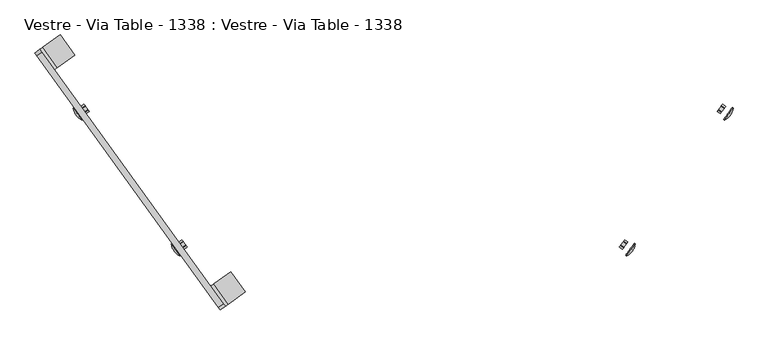
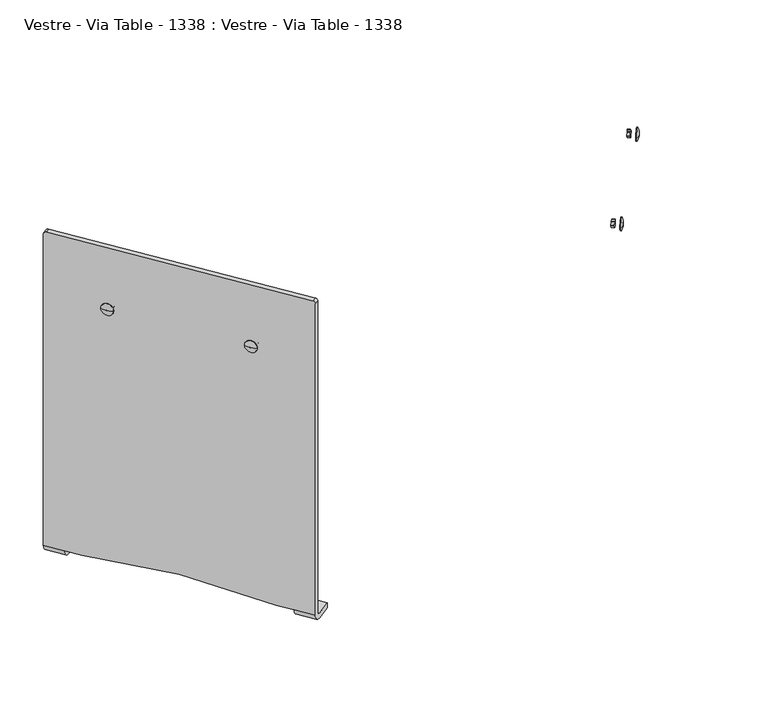
"""IFC4 building model written with IfcOpenShell, lengths in millimetres: furniture geometry, Vestre - Via Table - 1338 : Vestre - Via Table - 1338."""

from ifc_helpers import new_model, si_unit, point, frame, origin, place, context, project, spatial, polyline, circle_curve, ellipse_curve, trimmed, faceted_brep, source, transform, mapped, element, save
from ifc_brep_helpers import plane_surface, cylinder_surface, revolved_surface, advanced_brep


def vestre_via_table_1338_vestre_via_table_1338_51512afc(model_context):
    return source(origin(), model_context, "Body", "SolidModel", [
        advanced_brep(
        [(-294.4229396, -353.1820084, 15.8400028), (-281.5719813, -343.9214167, 0.0), (-253.9097798, -323.9876231, 0.0), (-253.9097798, -323.9876231, 9.8400028), (-281.5719749, -343.9214122, 9.8400028), (-286.4397613, -347.4292114, 15.8400028), (-286.4397613, -347.4292114, 666.3451332), (-294.4229396, -353.1820084, 666.3451332), (-309.8250896, -314.9773021, 15.8400028), (-304.9573032, -311.4695028, 9.8400028), (-277.2951082, -291.5357138, 9.8400028), (-277.2951082, -291.5357138, 0.0), (-304.9573096, -311.4695074, 0.0), (-317.808268, -320.7300991, 15.8400028), (-584.6026974, 66.3326325, 15.8400028), (-584.6026974, 66.3326325, 666.3451332), (-581.6795314, 62.2761439, 671.3451332), (-289.3629273, -343.3727227, 671.3451332), (-329.1638072, -288.1408899, 15.8400028), (-541.8786515, 7.044311, 15.8400028), (-561.2173691, 33.8807232, 15.8400028), (-549.8618299, 1.291514, 15.8400028), (-337.1469856, -293.8936869, 15.8400028), (-297.3461057, -349.1255197, 671.3451332), (-589.6627097, 56.5233469, 671.3451332), (-592.5858758, 60.5798356, 666.3451332), (-592.5858758, 60.5798356, 15.8400028), (-569.2005475, 28.1279262, 15.8400028), (-579.734911, 69.8404318, 9.8400028), (-552.072716, 89.7742208, 9.8400028), (-552.072716, 89.7742208, 0.0), (-579.7349174, 69.8404272, 0.0), (-556.3495891, 37.3885179, 0.0), (-528.6873876, 57.3223115, 0.0), (-528.6873876, 57.3223115, 9.8400028), (-556.3495827, 37.3885225, 9.8400028)],
        [
            (0, 1, circle_curve(frame((-281.5719813, -343.9214167, 15.8400028), z_axis=(0.5846332081206281, -0.8112977332413683, 0.0), x_axis=(0.8112977332413683, 0.5846332081206281, 0.0)), 15.8400028)),
            (1, 2),
            (2, 3),
            (3, 4),
            (4, 5, circle_curve(frame((-281.5719749, -343.9214122, 15.8400028), z_axis=(-0.5846332081206281, 0.8112977332413683, 0.0), x_axis=(0.8112977332413683, 0.5846332081206281, 0.0)), 6.0)),
            (5, 6),
            (6, 7),
            (7, 0),
            (8, 9, circle_curve(frame((-304.9573032, -311.4695028, 15.8400028), z_axis=(0.5846332081206281, -0.8112977332413683, 0.0), x_axis=(0.8112977332413683, 0.5846332081206281, 0.0)), 6.0)),
            (9, 10),
            (10, 11),
            (11, 12),
            (12, 13, circle_curve(frame((-304.9573096, -311.4695074, 15.8400028), z_axis=(-0.5846332081206281, 0.8112977332413683, 0.0), x_axis=(0.8112977332413683, 0.5846332081206281, 0.0)), 15.8400028)),
            (13, 8),
            (0, 13),
            (12, 1),
            (11, 2),
            (10, 3),
            (9, 4),
            (8, 5),
            (14, 15),
            (15, 16, circle_curve(frame((-581.6795314, 62.2761439, 666.3451332), z_axis=(0.8112977332413683, 0.5846332081206281, 0.0), x_axis=(-0.5846332081206281, 0.8112977332413683, 0.0)), 5.0)),
            (16, 17),
            (17, 6, circle_curve(frame((-289.3629273, -343.3727227, 666.3451332), z_axis=(0.8112977332413683, 0.5846332081206281, 0.0), x_axis=(0.0, 0.0, 1.0)), 5.0)),
            (8, 18),
            (18, 19, circle_curve(frame((-435.5212294, -140.5482894, -1343.0365637), z_axis=(-0.8112977332413682, -0.5846332081206282, 0.0), x_axis=(-0.0775765296494671, 0.10765324614327092, 0.991157233057582)), 1371.0)),
            (19, 20),
            (20, 14),
            (21, 22, circle_curve(frame((-443.5044077, -146.3010864, -1343.0365637), z_axis=(0.8112977332413682, 0.5846332081206282, 0.0), x_axis=(-0.0775765296494671, 0.10765324614327092, 0.991157233057582)), 1371.0)),
            (22, 13),
            (7, 23, circle_curve(frame((-297.3461057, -349.1255197, 666.3451332), z_axis=(-0.8112977332413683, -0.5846332081206281, 0.0), x_axis=(0.0, 0.0, 1.0)), 5.0)),
            (23, 24),
            (24, 25, circle_curve(frame((-589.6627097, 56.5233469, 666.3451332), z_axis=(-0.8112977332413683, -0.5846332081206281, 0.0), x_axis=(-0.5846332081206281, 0.8112977332413683, 0.0)), 5.0)),
            (25, 26),
            (26, 27),
            (27, 21),
            (14, 28, circle_curve(frame((-579.734911, 69.8404318, 15.8400028), z_axis=(0.5846332081206281, -0.8112977332413683, 0.0), x_axis=(0.8112977332413683, 0.5846332081206281, 0.0)), 6.0)),
            (28, 29),
            (29, 30),
            (30, 31),
            (31, 26, circle_curve(frame((-579.7349174, 69.8404272, 15.8400028), z_axis=(-0.5846332081206281, 0.8112977332413683, 0.0), x_axis=(0.8112977332413683, 0.5846332081206281, 0.0)), 15.8400028)),
            (25, 15),
            (24, 16),
            (23, 17),
            (22, 18),
            (21, 19),
            (27, 20),
            (27, 32, circle_curve(frame((-556.3495891, 37.3885179, 15.8400028), z_axis=(0.5846332081206281, -0.8112977332413683, 0.0), x_axis=(0.8112977332413683, 0.5846332081206281, 0.0)), 15.8400028)),
            (32, 33),
            (33, 34),
            (34, 35),
            (35, 20, circle_curve(frame((-556.3495827, 37.3885225, 15.8400028), z_axis=(-0.5846332081206281, 0.8112977332413683, 0.0), x_axis=(0.8112977332413683, 0.5846332081206281, 0.0)), 6.0)),
            (31, 32),
            (30, 33),
            (29, 34),
            (28, 35),
        ],
        [
            plane_surface(frame((-294.4229396, -353.1820084, 15.8400028), z_axis=(0.5846332081206281, -0.8112977332413682, 0.0), x_axis=(-0.8112977332413682, -0.5846332081206281, 0.0))),
            plane_surface(frame((-317.808268, -320.7300991, 15.8400028), z_axis=(-0.5846332081206281, 0.8112977332413682, 0.0), x_axis=(0.8112977332413682, 0.5846332081206281, 0.0))),
            cylinder_surface(frame((-304.9573096, -311.4695074, 15.8400028), z_axis=(0.5846332081206281, -0.8112977332413683, 0.0), x_axis=(0.8112977332413683, 0.5846332081206281, 0.0)), 15.8400028),
            plane_surface(frame((-281.5719813, -343.9214167, 0.0), z_axis=(0.0, 0.0, -1.0), x_axis=(-0.5846332081206279, 0.8112977332413684, 0.0))),
            plane_surface(frame((-253.9097798, -323.9876231, 0.0), z_axis=(0.8112977332413681, 0.5846332081206285, 0.0), x_axis=(-0.5846332081206285, 0.8112977332413681, 0.0))),
            plane_surface(frame((-253.9097798, -323.9876231, 9.8400028), z_axis=(0.0, 0.0, 1.0), x_axis=(-0.5846332081206285, 0.8112977332413681, 0.0))),
            revolved_surface(polyline([(-300.0895168005518, -307.96170355127623, 15.8400028), (-276.7041884508462, -340.4136129154577, 15.8400028)]), (-304.9573032, -311.4695028, 15.8400028), (-0.5846332081206281, 0.8112977332413683, 0.0)),
            plane_surface(frame((-584.6026974, 66.3326325, 15.8400028), z_axis=(0.8112977332413683, 0.5846332081206281, 0.0), x_axis=(0.0, 0.0, 1.0))),
            plane_surface(frame((-592.5858758, 60.5798356, 15.8400028), z_axis=(-0.8112977332413683, -0.5846332081206281, 0.0), x_axis=(0.0, 0.0, -1.0))),
            plane_surface(frame((-584.6026974, 66.3326325, 15.8400028), z_axis=(-0.5846332081206286, 0.8112977332413679, 0.0), x_axis=(-0.8112977332413679, -0.5846332081206286, 0.0))),
            cylinder_surface(frame((-589.6627097, 56.5233469, 666.3451332), z_axis=(0.8112977332413683, 0.5846332081206281, 0.0), x_axis=(-0.5846332081206281, 0.8112977332413683, 0.0)), 5.0),
            plane_surface(frame((-581.6795314, 62.2761439, 671.3451332), z_axis=(0.0, 0.0, 1.0), x_axis=(-0.8112977332413676, -0.5846332081206291, 0.0))),
            cylinder_surface(frame((-297.3461057, -349.1255197, 666.3451332), z_axis=(0.8112977332413683, 0.5846332081206281, 0.0), x_axis=(0.0, 0.0, 1.0)), 5.0),
            plane_surface(frame((-286.4397613, -347.4292114, 15.8400028), z_axis=(0.0, 0.0, -1.0), x_axis=(-0.8112977332413679, -0.5846332081206286, 0.0))),
            revolved_surface(polyline([(-549.8618299123251, 1.2915140170935906, 15.840002821944836), (-541.8786515191127, 7.044311052993255, 15.840002821944836)]), (-443.5044077, -146.3010864, -1343.0365637), (-0.8112977332413682, -0.5846332081206282, 0.0)),
            plane_surface(frame((-541.8786515, 7.044311, 15.8400028), z_axis=(0.0, 0.0, -1.0), x_axis=(-0.8112977332413676, -0.5846332081206291, 0.0))),
            plane_surface(frame((-551.4817963, 40.8963217, 15.8400028), z_axis=(0.5846332081206281, -0.8112977332413683, 0.0), x_axis=(0.0, 0.0, -1.0))),
            cylinder_surface(frame((-556.3495891, 37.3885179, 15.8400028), z_axis=(-0.5846332081206281, 0.8112977332413683, 0.0), x_axis=(0.8112977332413683, 0.5846332081206281, 0.0)), 15.8400028),
            plane_surface(frame((-552.072716, 89.7742208, 0.0), z_axis=(0.0, 0.0, -1.0), x_axis=(0.5846332081206282, -0.8112977332413682, 0.0))),
            plane_surface(frame((-552.072716, 89.7742208, 9.8400028), z_axis=(0.8112977332413683, 0.584633208120628, 0.0), x_axis=(0.584633208120628, -0.8112977332413683, 0.0))),
            plane_surface(frame((-579.734911, 69.8404318, 9.8400028), z_axis=(0.0, 0.0, 1.0000000000000002), x_axis=(0.5846332081206281, -0.8112977332413683, 0.0))),
            revolved_surface(polyline([(-551.4817962764196, 40.89632171523527, 15.8400028), (-574.8671246028263, 73.3482310470848, 15.8400028)]), (-556.3495827, 37.3885225, 15.8400028), (0.5846332081206281, -0.8112977332413683, 0.0)),
        ],
        [
            (0, [[1, 2, 3, 4, 5, 6, 7, 8]]),
            (1, [[9, 10, 11, 12, 13, 14]]),
            (2, [[-1, 15, -13, 16]]),
            (3, [[-2, -16, -12, 17]]),
            (4, [[-3, -17, -11, 18]]),
            (5, [[-4, -18, -10, 19]]),
            (6, [[-5, -19, -9, 20]]),
            (7, [[21, 22, 23, 24, -6, -20, 25, 26, 27, 28]]),
            (8, [[29, 30, -15, -8, 31, 32, 33, 34, 35, 36]]),
            (9, [[-21, 37, 38, 39, 40, 41, -34, 42]]),
            (10, [[-22, -42, -33, 43]]),
            (11, [[-23, -43, -32, 44]]),
            (12, [[-24, -44, -31, -7]]),
            (13, [[45, -25, -14, -30]]),
            (14, [[-26, -45, -29, 46]]),
            (15, [[-46, -36, 47, -27]]),
            (16, [[48, 49, 50, 51, 52, -47]]),
            (17, [[-41, 53, -48, -35]]),
            (18, [[-40, 54, -49, -53]]),
            (19, [[-39, 55, -50, -54]]),
            (20, [[-38, 56, -51, -55]]),
            (21, [[-37, -28, -52, -56]]),
        ],
    ),
        advanced_brep(
        [(-371.7521339, -245.8719905, 544.0451332), (-357.7564953, -265.2937917, 544.0451332), (-359.1107763, -266.2697067, 544.0451332), (-373.106415, -246.8479056, 544.0451332), (-367.5031901, -259.6788895, 544.0451332), (-369.5096399, -256.8945314, 544.0451332)],
        [
            (0, 1, circle_curve(frame((-364.7543146, -255.5828911, 544.0451332), z_axis=(0.8112977332413683, 0.5846332081206281, 0.0), x_axis=(0.5846332081206281, -0.8112977332413683, 0.0)), 11.9695892)),
            (1, 0, circle_curve(frame((-364.7543146, -255.5828911, 544.0451332), z_axis=(0.8112977332413683, 0.5846332081206281, 0.0), x_axis=(-0.5846332081206281, 0.8112977332413683, 0.0)), 11.9695892)),
            (1, 2),
            (2, 3, circle_curve(frame((-366.1085956, -256.5588062, 544.0451332), z_axis=(0.8112977332413683, 0.5846332081206281, 0.0), x_axis=(-0.5846332081206281, 0.8112977332413683, 0.0)), 11.9695892)),
            (3, 0),
            (3, 2, circle_curve(frame((-366.1085956, -256.5588062, 544.0451332), z_axis=(0.8112977332413683, 0.5846332081206281, 0.0), x_axis=(0.5846332081206281, -0.8112977332413683, 0.0)), 11.9695892)),
            (4, 2, circle_curve(frame((-351.8742678, -248.4164557, 544.0451332), z_axis=(0.0, 0.0, 1.0000000000000002), x_axis=(0.8112977332413683, 0.5846332081206281, 0.0)), 19.2641021)),
            (3, 5, circle_curve(frame((-353.8807176, -245.6320977, 544.0451332), z_axis=(0.0, 0.0, 1.0000000000000002), x_axis=(0.8112977332413683, 0.5846332081206281, 0.0)), 19.2641021)),
            (5, 4, circle_curve(frame((-368.506415, -258.2867105, 544.0451332), z_axis=(0.8112977332413683, 0.5846332081206281, 0.0), x_axis=(0.5846332081206281, -0.8112977332413683, 0.0)), 1.7159903)),
            (4, 5, circle_curve(frame((-368.506415, -258.2867105, 544.0451332), z_axis=(0.8112977332413683, 0.5846332081206281, 0.0), x_axis=(-0.5846332081206281, 0.8112977332413683, 0.0)), 1.7159903)),
        ],
        [
            plane_surface(frame((-357.7564953, -265.2937917, 544.0451332), z_axis=(0.8112977332413684, 0.5846332081206281, 0.0), x_axis=(0.0, 0.0, -1.0))),
            cylinder_surface(frame((-366.1085956, -256.5588062, 544.0451332), z_axis=(0.8112977332413683, 0.5846332081206281, 0.0), x_axis=(-0.5846332081206281, 0.8112977332413683, 0.0)), 11.9695892),
            cylinder_surface(frame((-366.1085956, -256.5588062, 544.0451332), z_axis=(0.8112977332413683, 0.5846332081206281, 0.0), x_axis=(0.5846332081206281, -0.8112977332413683, 0.0)), 11.9695892),
            revolved_surface(trimmed(ellipse_curve(frame((-351.8742678, -248.4164557, 544.0451332), z_axis=(0.0, 0.0, -1.0000000000000002), x_axis=(0.8112977332413683, 0.5846332081206281, 0.0)), 19.2641021, 19.2641021), [point((-359.1107763, -266.2697067, 544.0451332))], [point((-367.5031901, -259.6788895, 544.0451332))], True, "CARTESIAN"), (458.583077, 337.7262738, 544.0451332), (-0.8112977332413683, -0.5846332081206281, 0.0)),
            revolved_surface(trimmed(ellipse_curve(frame((-353.8807176, -245.6320977, 544.0451332), z_axis=(0.0, 0.0, 1.0000000000000002), x_axis=(0.8112977332413684, 0.584633208120628, 0.0)), 19.2641021, 19.2641021), [point((-373.106415, -246.8479056, 544.0451332))], [point((-369.5096399, -256.8945314, 544.0451332))], True, "CARTESIAN"), (458.583077, 337.7262738, 544.0451332), (-0.8112977332413683, -0.5846332081206281, 0.0)),
            plane_surface(frame((-369.5096399, -256.8945314, 544.0451332), z_axis=(-0.8112977332413684, -0.5846332081206281, 0.0), x_axis=(0.0, 0.0, -1.0))),
        ],
        [
            (0, [[1, 2]]),
            (1, [[-2, 3, 4, 5]]),
            (2, [[-1, -5, 6, -3]]),
            (3, [[7, -6, 8, 9]]),
            (4, [[-7, 10, -8, -4]]),
            (5, [[-9, -10]]),
        ],
    ),
        faceted_brep([(-349.5530602, -249.6729542, 549.9568197), (-347.7562188, -252.1664379, 544.6334467), (-347.7562188, -252.1664379, 543.4568197), (-349.5530602, -249.6729542, 538.1334467), (-350.148795, -248.8462508, 537.5451332), (-353.7424778, -243.8592835, 537.5451332), (-354.3382125, -243.0325801, 538.1334467), (-356.1350539, -240.5390964, 543.4568197), (-356.1350539, -240.5390964, 544.6334467), (-354.3382125, -243.0325801, 549.9568197), (-353.7424778, -243.8592835, 550.5451332), (-350.148795, -248.8462508, 550.5451332), (-354.3785601, -253.1502812, 549.9568197), (-354.9742948, -252.3235778, 550.5451332), (-358.5679777, -247.3366104, 550.5451332), (-359.1637124, -246.509907, 549.9568197), (-360.9605538, -244.0164233, 544.6334467), (-360.9605538, -244.0164233, 543.4568197), (-359.1637124, -246.509907, 538.1334467), (-358.5679777, -247.3366104, 537.5451332), (-354.9742948, -252.3235778, 537.5451332), (-354.3785601, -253.1502812, 538.1334467), (-352.5817187, -255.6437648, 543.4568197), (-352.5817187, -255.6437648, 544.6334467)], [[[0, 1, 2, 3, 4, 5, 6, 7, 8, 9, 10, 11]], [[12, 13, 14, 15, 16, 17, 18, 19, 20, 21, 22, 23]], [[0, 11, 13, 12]], [[11, 10, 14, 13]], [[10, 9, 15, 14]], [[9, 8, 16, 15]], [[8, 7, 17, 16]], [[7, 6, 18, 17]], [[6, 5, 19, 18]], [[5, 4, 20, 19]], [[4, 3, 21, 20]], [[3, 2, 22, 21]], [[2, 1, 23, 22]], [[1, 0, 12, 23]]]),
        faceted_brep([(-511.8383988, -24.4689708, 549.9568197), (-511.2426641, -25.2956741, 550.5451332), (-507.6489812, -30.2826415, 550.5451332), (-507.0532465, -31.1093449, 549.9568197), (-505.2564051, -33.6028286, 544.6334467), (-505.2564051, -33.6028286, 543.4568197), (-507.0532465, -31.1093449, 538.1334467), (-507.6489812, -30.2826415, 537.5451332), (-511.2426641, -25.2956741, 537.5451332), (-511.8383988, -24.4689708, 538.1334467), (-513.6352402, -21.9754871, 543.4568197), (-513.6352402, -21.9754871, 544.6334467), (-516.6638987, -27.9462977, 549.9568197), (-518.4607401, -25.452814, 544.6334467), (-518.4607401, -25.452814, 543.4568197), (-516.6638987, -27.9462977, 538.1334467), (-516.0681639, -28.7730011, 537.5451332), (-512.4744811, -33.7599685, 537.5451332), (-511.8787463, -34.5866718, 538.1334467), (-510.0819049, -37.0801555, 543.4568197), (-510.0819049, -37.0801555, 544.6334467), (-511.8787463, -34.5866718, 549.9568197), (-512.4744811, -33.7599685, 550.5451332), (-516.0681639, -28.7730011, 550.5451332)], [[[0, 1, 2, 3, 4, 5, 6, 7, 8, 9, 10, 11]], [[12, 13, 14, 15, 16, 17, 18, 19, 20, 21, 22, 23]], [[1, 0, 12, 23]], [[2, 1, 23, 22]], [[3, 2, 22, 21]], [[4, 3, 21, 20]], [[5, 4, 20, 19]], [[6, 5, 19, 18]], [[7, 6, 18, 17]], [[8, 7, 17, 16]], [[9, 8, 16, 15]], [[10, 9, 15, 14]], [[11, 10, 14, 13]], [[0, 11, 13, 12]]]),
        advanced_brep(
        [(-530.6066012, -28.2842963, 544.0451332), (-527.0098262, -38.3309221, 544.0451332), (-525.0033764, -41.1152802, 544.0451332), (-516.6109626, -47.7060974, 544.0451332), (-515.2566815, -46.7301823, 544.0451332), (-529.2523202, -27.3083812, 544.0451332)],
        [
            (0, 1, circle_curve(frame((-511.3809039, -27.0684883, 544.0451332), z_axis=(0.0, 0.0, 1.0000000000000002), x_axis=(0.8112977332413683, 0.5846332081206281, 0.0)), 19.2641021)),
            (1, 2, circle_curve(frame((-526.0066013, -39.7231011, 544.0451332), z_axis=(0.8112977332413683, 0.5846332081206281, 0.0), x_axis=(-0.5846332081206281, 0.8112977332413683, 0.0)), 1.7159903)),
            (2, 3, circle_curve(frame((-509.3744541, -29.8528464, 544.0451332), z_axis=(0.0, 0.0, 1.0000000000000002), x_axis=(0.8112977332413683, 0.5846332081206281, 0.0)), 19.2641021)),
            (3, 0, circle_curve(frame((-523.6087819, -37.9951968, 544.0451332), z_axis=(-0.8112977332413683, -0.5846332081206281, 0.0), x_axis=(-0.5846332081206281, 0.8112977332413683, 0.0)), 11.9695892)),
            (0, 3, circle_curve(frame((-523.6087819, -37.9951968, 544.0451332), z_axis=(-0.8112977332413683, -0.5846332081206281, 0.0), x_axis=(0.5846332081206281, -0.8112977332413683, 0.0)), 11.9695892)),
            (2, 1, circle_curve(frame((-526.0066013, -39.7231011, 544.0451332), z_axis=(0.8112977332413683, 0.5846332081206281, 0.0), x_axis=(0.5846332081206281, -0.8112977332413683, 0.0)), 1.7159903)),
            (4, 5, circle_curve(frame((-522.2545008, -37.0192818, 544.0451332), z_axis=(0.8112977332413683, 0.5846332081206281, 0.0), x_axis=(0.5846332081206281, -0.8112977332413683, 0.0)), 11.9695892)),
            (5, 4, circle_curve(frame((-522.2545008, -37.0192818, 544.0451332), z_axis=(0.8112977332413683, 0.5846332081206281, 0.0), x_axis=(-0.5846332081206281, 0.8112977332413683, 0.0)), 11.9695892)),
            (4, 3),
            (0, 5),
        ],
        [
            revolved_surface(trimmed(ellipse_curve(frame((-511.3809039, -27.0684883, 544.0451332), z_axis=(0.0, 0.0, -1.0000000000000002), x_axis=(0.8112977332413683, 0.5846332081206281, 0.0)), 19.2641021, 19.2641021), [point((-527.0098262, -38.3309221, 544.0451332))], [point((-530.6066012, -28.2842963, 544.0451332))], True, "CARTESIAN"), (301.0828908, 556.2898832, 544.0451332), (0.8112977332413683, 0.5846332081206281, 0.0)),
            revolved_surface(trimmed(ellipse_curve(frame((-509.3744541, -29.8528464, 544.0451332), z_axis=(0.0, 0.0, 1.0000000000000002), x_axis=(0.8112977332413684, 0.584633208120628, 0.0)), 19.2641021, 19.2641021), [point((-525.0033764, -41.1152802, 544.0451332))], [point((-516.6109626, -47.7060974, 544.0451332))], True, "CARTESIAN"), (301.0828908, 556.2898832, 544.0451332), (0.8112977332413683, 0.5846332081206281, 0.0)),
            plane_surface(frame((-527.0098262, -38.3309221, 544.0451332), z_axis=(-0.8112977332413684, -0.5846332081206281, 0.0), x_axis=(0.0, 0.0, -1.0))),
            plane_surface(frame((-515.2566815, -46.7301823, 544.0451332), z_axis=(0.8112977332413684, 0.5846332081206281, 0.0), x_axis=(0.0, 0.0, -1.0))),
            cylinder_surface(frame((-523.6087819, -37.9951968, 544.0451332), z_axis=(0.8112977332413683, 0.5846332081206281, 0.0), x_axis=(0.5846332081206281, -0.8112977332413683, 0.0)), 11.9695892),
            cylinder_surface(frame((-523.6087819, -37.9951968, 544.0451332), z_axis=(0.8112977332413683, 0.5846332081206281, 0.0), x_axis=(-0.5846332081206281, 0.8112977332413683, 0.0)), 11.9695892),
        ],
        [
            (0, [[1, 2, 3, 4]]),
            (1, [[-1, 5, -3, 6]]),
            (2, [[-2, -6]]),
            (3, [[7, 8]]),
            (4, [[-7, 9, -5, 10]]),
            (5, [[-8, -10, -4, -9]]),
        ],
    ),
        faceted_brep([(349.5530602, -249.6729542, 549.9568197), (350.148795, -248.8462508, 550.5451332), (353.7424778, -243.8592835, 550.5451332), (354.3382125, -243.0325801, 549.9568197), (356.1350539, -240.5390964, 544.6334467), (356.1350539, -240.5390964, 543.4568197), (354.3382125, -243.0325801, 538.1334467), (353.7424778, -243.8592835, 537.5451332), (350.148795, -248.8462508, 537.5451332), (349.5530602, -249.6729542, 538.1334467), (347.7562188, -252.1664379, 543.4568197), (347.7562188, -252.1664379, 544.6334467), (354.3785601, -253.1502812, 549.9568197), (352.5817187, -255.6437648, 544.6334467), (352.5817187, -255.6437648, 543.4568197), (354.3785601, -253.1502812, 538.1334467), (354.9742948, -252.3235778, 537.5451332), (358.5679777, -247.3366104, 537.5451332), (359.1637124, -246.509907, 538.1334467), (360.9605538, -244.0164233, 543.4568197), (360.9605538, -244.0164233, 544.6334467), (359.1637124, -246.509907, 549.9568197), (358.5679777, -247.3366104, 550.5451332), (354.9742948, -252.3235778, 550.5451332)], [[[0, 1, 2, 3, 4, 5, 6, 7, 8, 9, 10, 11]], [[12, 13, 14, 15, 16, 17, 18, 19, 20, 21, 22, 23]], [[1, 0, 12, 23]], [[2, 1, 23, 22]], [[3, 2, 22, 21]], [[4, 3, 21, 20]], [[5, 4, 20, 19]], [[6, 5, 19, 18]], [[7, 6, 18, 17]], [[8, 7, 17, 16]], [[9, 8, 16, 15]], [[10, 9, 15, 14]], [[11, 10, 14, 13]], [[0, 11, 13, 12]]]),
        advanced_brep(
        [(359.1107763, -266.2697067, 544.0451332), (367.5031901, -259.6788895, 544.0451332), (369.5096399, -256.8945314, 544.0451332), (373.106415, -246.8479056, 544.0451332), (371.7521339, -245.8719905, 544.0451332), (357.7564953, -265.2937917, 544.0451332)],
        [
            (0, 1, circle_curve(frame((351.8742678, -248.4164557, 544.0451332), z_axis=(0.0, 0.0, 1.0000000000000002), x_axis=(-0.8112977332413683, 0.5846332081206281, 0.0)), 19.2641021)),
            (1, 2, circle_curve(frame((368.506415, -258.2867105, 544.0451332), z_axis=(-0.8112977332413683, 0.5846332081206281, 0.0), x_axis=(-0.5846332081206281, -0.8112977332413683, 0.0)), 1.7159903)),
            (2, 3, circle_curve(frame((353.8807176, -245.6320977, 544.0451332), z_axis=(0.0, 0.0, 1.0000000000000002), x_axis=(-0.8112977332413683, 0.5846332081206281, 0.0)), 19.2641021)),
            (3, 0, circle_curve(frame((366.1085956, -256.5588062, 544.0451332), z_axis=(0.8112977332413683, -0.5846332081206281, 0.0), x_axis=(-0.5846332081206281, -0.8112977332413683, 0.0)), 11.9695892)),
            (0, 3, circle_curve(frame((366.1085956, -256.5588062, 544.0451332), z_axis=(0.8112977332413683, -0.5846332081206281, 0.0), x_axis=(0.5846332081206281, 0.8112977332413683, 0.0)), 11.9695892)),
            (2, 1, circle_curve(frame((368.506415, -258.2867105, 544.0451332), z_axis=(-0.8112977332413683, 0.5846332081206281, 0.0), x_axis=(0.5846332081206281, 0.8112977332413683, 0.0)), 1.7159903)),
            (4, 5, circle_curve(frame((364.7543146, -255.5828911, 544.0451332), z_axis=(-0.8112977332413683, 0.5846332081206281, 0.0), x_axis=(0.5846332081206281, 0.8112977332413683, 0.0)), 11.9695892)),
            (5, 4, circle_curve(frame((364.7543146, -255.5828911, 544.0451332), z_axis=(-0.8112977332413683, 0.5846332081206281, 0.0), x_axis=(-0.5846332081206281, -0.8112977332413683, 0.0)), 11.9695892)),
            (4, 3),
            (0, 5),
        ],
        [
            revolved_surface(trimmed(ellipse_curve(frame((351.8742678, -248.4164557, 544.0451332), z_axis=(0.0, 0.0, -1.0000000000000002), x_axis=(-0.8112977332413683, 0.5846332081206281, 0.0)), 19.2641021, 19.2641021), [point((367.5031901, -259.6788895, 544.0451332))], [point((359.1107763, -266.2697067, 544.0451332))], True, "CARTESIAN"), (-458.583077, 337.7262738, 544.0451332), (-0.8112977332413683, 0.5846332081206281, 0.0)),
            revolved_surface(trimmed(ellipse_curve(frame((353.8807176, -245.6320977, 544.0451332), z_axis=(0.0, 0.0, 1.0000000000000002), x_axis=(-0.8112977332413684, 0.584633208120628, 0.0)), 19.2641021, 19.2641021), [point((369.5096399, -256.8945314, 544.0451332))], [point((373.106415, -246.8479056, 544.0451332))], True, "CARTESIAN"), (-458.583077, 337.7262738, 544.0451332), (-0.8112977332413683, 0.5846332081206281, 0.0)),
            plane_surface(frame((367.5031901, -259.6788895, 544.0451332), z_axis=(0.8112977332413684, -0.5846332081206281, 0.0), x_axis=(0.0, 0.0, -1.0))),
            plane_surface(frame((371.7521339, -245.8719905, 544.0451332), z_axis=(-0.8112977332413684, 0.5846332081206281, 0.0), x_axis=(0.0, 0.0, -1.0))),
            cylinder_surface(frame((366.1085956, -256.5588062, 544.0451332), z_axis=(-0.8112977332413683, 0.5846332081206281, 0.0), x_axis=(0.5846332081206281, 0.8112977332413683, 0.0)), 11.9695892),
            cylinder_surface(frame((366.1085956, -256.5588062, 544.0451332), z_axis=(-0.8112977332413683, 0.5846332081206281, 0.0), x_axis=(-0.5846332081206281, -0.8112977332413683, 0.0)), 11.9695892),
        ],
        [
            (0, [[1, 2, 3, 4]]),
            (1, [[-1, 5, -3, 6]]),
            (2, [[-2, -6]]),
            (3, [[7, 8]]),
            (4, [[-7, 9, -5, 10]]),
            (5, [[-8, -10, -4, -9]]),
        ],
    ),
        faceted_brep([(511.8383988, -24.4689708, 549.9568197), (513.6352402, -21.9754871, 544.6334467), (513.6352402, -21.9754871, 543.4568197), (511.8383988, -24.4689708, 538.1334467), (511.2426641, -25.2956741, 537.5451332), (507.6489812, -30.2826415, 537.5451332), (507.0532465, -31.1093449, 538.1334467), (505.2564051, -33.6028286, 543.4568197), (505.2564051, -33.6028286, 544.6334467), (507.0532465, -31.1093449, 549.9568197), (507.6489812, -30.2826415, 550.5451332), (511.2426641, -25.2956741, 550.5451332), (516.6638987, -27.9462977, 549.9568197), (516.0681639, -28.7730011, 550.5451332), (512.4744811, -33.7599685, 550.5451332), (511.8787463, -34.5866718, 549.9568197), (510.0819049, -37.0801555, 544.6334467), (510.0819049, -37.0801555, 543.4568197), (511.8787463, -34.5866718, 538.1334467), (512.4744811, -33.7599685, 537.5451332), (516.0681639, -28.7730011, 537.5451332), (516.6638987, -27.9462977, 538.1334467), (518.4607401, -25.452814, 543.4568197), (518.4607401, -25.452814, 544.6334467)], [[[0, 1, 2, 3, 4, 5, 6, 7, 8, 9, 10, 11]], [[12, 13, 14, 15, 16, 17, 18, 19, 20, 21, 22, 23]], [[0, 11, 13, 12]], [[11, 10, 14, 13]], [[10, 9, 15, 14]], [[9, 8, 16, 15]], [[8, 7, 17, 16]], [[7, 6, 18, 17]], [[6, 5, 19, 18]], [[5, 4, 20, 19]], [[4, 3, 21, 20]], [[3, 2, 22, 21]], [[2, 1, 23, 22]], [[1, 0, 12, 23]]]),
        advanced_brep(
        [(527.0098262, -38.3309221, 544.0451332), (530.6066012, -28.2842963, 544.0451332), (516.6109626, -47.7060974, 544.0451332), (525.0033764, -41.1152802, 544.0451332), (515.2566815, -46.7301823, 544.0451332), (529.2523202, -27.3083812, 544.0451332)],
        [
            (0, 1, circle_curve(frame((511.3809039, -27.0684883, 544.0451332), z_axis=(0.0, 0.0, 1.0000000000000002), x_axis=(-0.8112977332413683, 0.5846332081206281, 0.0)), 19.2641021)),
            (1, 2, circle_curve(frame((523.6087819, -37.9951968, 544.0451332), z_axis=(0.8112977332413683, -0.5846332081206281, 0.0), x_axis=(0.5846332081206281, 0.8112977332413683, 0.0)), 11.9695892)),
            (2, 3, circle_curve(frame((509.3744541, -29.8528464, 544.0451332), z_axis=(0.0, 0.0, 1.0000000000000002), x_axis=(-0.8112977332413683, 0.5846332081206281, 0.0)), 19.2641021)),
            (3, 0, circle_curve(frame((526.0066013, -39.7231011, 544.0451332), z_axis=(-0.8112977332413683, 0.5846332081206281, 0.0), x_axis=(0.5846332081206281, 0.8112977332413683, 0.0)), 1.7159903)),
            (0, 3, circle_curve(frame((526.0066013, -39.7231011, 544.0451332), z_axis=(-0.8112977332413683, 0.5846332081206281, 0.0), x_axis=(-0.5846332081206281, -0.8112977332413683, 0.0)), 1.7159903)),
            (2, 1, circle_curve(frame((523.6087819, -37.9951968, 544.0451332), z_axis=(0.8112977332413683, -0.5846332081206281, 0.0), x_axis=(-0.5846332081206281, -0.8112977332413683, 0.0)), 11.9695892)),
            (4, 5, circle_curve(frame((522.2545008, -37.0192818, 544.0451332), z_axis=(-0.8112977332413683, 0.5846332081206281, 0.0), x_axis=(0.5846332081206281, 0.8112977332413683, 0.0)), 11.9695892)),
            (5, 4, circle_curve(frame((522.2545008, -37.0192818, 544.0451332), z_axis=(-0.8112977332413683, 0.5846332081206281, 0.0), x_axis=(-0.5846332081206281, -0.8112977332413683, 0.0)), 11.9695892)),
            (5, 1),
            (2, 4),
        ],
        [
            revolved_surface(trimmed(ellipse_curve(frame((511.3809039, -27.0684883, 544.0451332), z_axis=(0.0, 0.0, -1.0000000000000002), x_axis=(-0.8112977332413683, 0.5846332081206281, 0.0)), 19.2641021, 19.2641021), [point((530.6066012, -28.2842963, 544.0451332))], [point((527.0098262, -38.3309221, 544.0451332))], True, "CARTESIAN"), (-301.0828908, 556.2898832, 544.0451332), (0.8112977332413683, -0.5846332081206281, 0.0)),
            revolved_surface(trimmed(ellipse_curve(frame((509.3744541, -29.8528464, 544.0451332), z_axis=(0.0, 0.0, 1.0000000000000002), x_axis=(-0.8112977332413684, 0.584633208120628, 0.0)), 19.2641021, 19.2641021), [point((516.6109626, -47.7060974, 544.0451332))], [point((525.0033764, -41.1152802, 544.0451332))], True, "CARTESIAN"), (-301.0828908, 556.2898832, 544.0451332), (0.8112977332413683, -0.5846332081206281, 0.0)),
            plane_surface(frame((525.0033764, -41.1152802, 544.0451332), z_axis=(0.8112977332413684, -0.5846332081206281, 0.0), x_axis=(0.0, 0.0, -1.0))),
            plane_surface(frame((529.2523202, -27.3083812, 544.0451332), z_axis=(-0.8112977332413684, 0.5846332081206281, 0.0), x_axis=(0.0, 0.0, -1.0))),
            cylinder_surface(frame((523.6087819, -37.9951968, 544.0451332), z_axis=(-0.8112977332413683, 0.5846332081206281, 0.0), x_axis=(-0.5846332081206281, -0.8112977332413683, 0.0)), 11.9695892),
            cylinder_surface(frame((523.6087819, -37.9951968, 544.0451332), z_axis=(-0.8112977332413683, 0.5846332081206281, 0.0), x_axis=(0.5846332081206281, 0.8112977332413683, 0.0)), 11.9695892),
        ],
        [
            (0, [[1, 2, 3, 4]]),
            (1, [[-1, 5, -3, 6]]),
            (2, [[-4, -5]]),
            (3, [[7, 8]]),
            (4, [[-8, 9, -6, 10]]),
            (5, [[-7, -10, -2, -9]]),
        ],
    ),
    ])


if __name__ == "__main__":
    model = new_model("IFC4")
    model_context = context("Model", 3, world=origin())
    ifc_project = project(units=[si_unit("LENGTHUNIT", "METRE", prefix="MILLI")], contexts=[model_context])
    site = spatial("IfcSite", under=ifc_project)
    building = spatial("IfcBuilding", under=site)
    placement = place(None, origin())
    vestre_via_table_1338_vestre_via_table_1338_shape = vestre_via_table_1338_vestre_via_table_1338_51512afc(model_context)
    element("IfcFurniture", 1, ObjectType="Vestre - Via Table - 1338 : Vestre - Via Table - 1338", at=placement, inside=building, context=model_context, shape_type="MappedRepresentation", body=[
        mapped(vestre_via_table_1338_vestre_via_table_1338_shape, transform((0.0, 0.0, 0.0), x_axis=(1.0, 0.0, 0.0), y_axis=(0.0, 1.0, 0.0), z_axis=(0.0, 0.0, 1.0))),
    ])
    save(model, "model.ifc")
